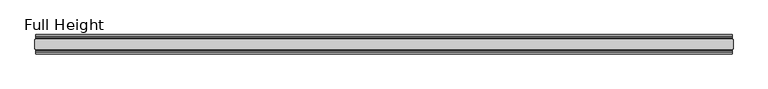
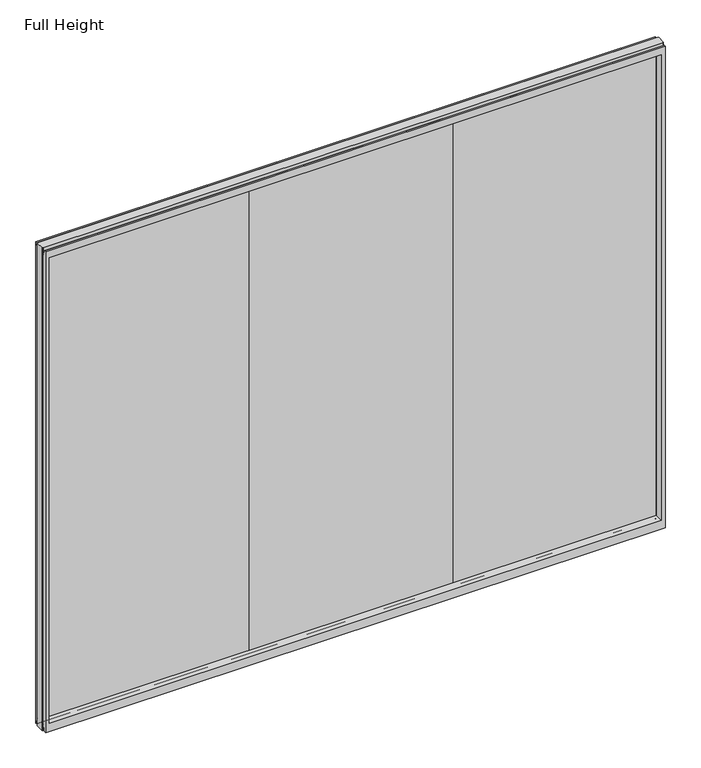
"""IFC4 building model written with IfcOpenShell, lengths in millimetres: plate geometry, Full Height."""

import ifcopenshell
import ifcopenshell.guid

model = None  # the IFC model being written
_history = None  # IfcOwnerHistory: only IFC2X3 demands one
_inside = {}  # id of a spatial element -> (the spatial element, [elements in it])
_under = {}  # id of a project, library or spatial element -> (it, [spatial elements below it])
_declared = {}  # id of a project -> (the project, [libraries it declares])
_typed = {}  # id of a type object -> (the type object, [elements of that type])
_made_of = {}  # id of a material, layer set ... -> (it, [elements and type objects made of it])


def new_model(schema):
    """Start an empty IFC model of exactly this schema.

    Asked for "IFC4X3", IfcOpenShell would pick the latest addendum, in which some entities
    have other attributes; the version numbers below select the first issue.
    IFC2X3 requires an IfcOwnerHistory on every rooted entity: one is made here for all.
    """
    global model, _history
    if schema == "IFC4X3":
        model = ifcopenshell.file(schema_version=(4, 3, 0, 0))
    else:
        model = ifcopenshell.file(schema=schema)
    _inside.clear()
    _under.clear()
    _declared.clear()
    _typed.clear()
    _made_of.clear()
    _history = None
    if model.schema == "IFC2X3":
        org = make("IfcOrganization", Name="unknown")
        user = make(
            "IfcPersonAndOrganization",
            ThePerson=make("IfcPerson", FamilyName="unknown"),
            TheOrganization=org,
        )
        app = make(
            "IfcApplication",
            ApplicationDeveloper=org,
            Version="unknown",
            ApplicationFullName="unknown",
            ApplicationIdentifier="unknown",
        )
        _history = make(
            "IfcOwnerHistory",
            OwningUser=user,
            OwningApplication=app,
            ChangeAction="ADDED",
            CreationDate=0,
        )
    return model


def make(cls, **values):
    """One entity of the class cls with the attributes given. An attribute that is None is left unset."""
    return model.create_entity(
        cls, **{name: value for name, value in values.items() if value is not None}
    )


def rooted(cls, **values):
    """An entity with a GlobalId (a new one), such as an element, a storey or a relation."""
    return make(cls, GlobalId=ifcopenshell.guid.new(), OwnerHistory=_history, **values)


def si_unit(unit_type, name, prefix=None):
    """IfcSIUnit, for example si_unit("LENGTHUNIT", "METRE", prefix="MILLI")."""
    return make("IfcSIUnit", UnitType=unit_type, Prefix=prefix, Name=name)


def assignment(units):
    """IfcUnitAssignment: the units of a project."""
    return None if units is None else make("IfcUnitAssignment", Units=units)


def point(xyz):
    """IfcCartesianPoint."""
    return None if xyz is None else make("IfcCartesianPoint", Coordinates=xyz)


def direction(xyz):
    """IfcDirection."""
    return None if xyz is None else make("IfcDirection", DirectionRatios=xyz)


def frame(location, z_axis=None, x_axis=None):
    """IfcAxis2Placement3D, a coordinate frame: its origin and axes. An axis left out is left unset."""
    return make(
        "IfcAxis2Placement3D",
        Location=point(location),
        Axis=direction(z_axis),
        RefDirection=direction(x_axis),
    )


def origin():
    """The frame at (0, 0, 0) with its axes left unset."""
    return frame((0.0, 0.0, 0.0))


def place(relative_to, where):
    """IfcLocalPlacement: puts the frame where relative to a parent placement (None: the world)."""
    return make(
        "IfcLocalPlacement", PlacementRelTo=relative_to, RelativePlacement=where
    )


def context(
    kind, dimensions, precision=None, world=None, true_north=None, identifier=None
):
    """IfcGeometricRepresentationContext, for example the 3D "Model" context."""
    return make(
        "IfcGeometricRepresentationContext",
        ContextIdentifier=identifier,
        ContextType=kind,
        CoordinateSpaceDimension=dimensions,
        Precision=precision,
        WorldCoordinateSystem=world,
        TrueNorth=true_north,
    )


def project(units=None, contexts=None):
    """IfcProject with its units and contexts."""
    return rooted(
        "IfcProject",
        Name="project",
        RepresentationContexts=contexts,
        UnitsInContext=assignment(units),
    )


def spatial(cls, under=None, at=None, **own):
    """A site, building, storey or space (cls), placed at a placement, below another one or the project."""
    s = rooted(cls, ObjectPlacement=at, **own)
    if under is not None:
        _under.setdefault(under.id(), (under, []))[1].append(s)
    return s


def polyline(points):
    """IfcPolyline through the points."""
    return make("IfcPolyline", Points=[point(p) for p in points])


def circle_curve(where, radius):
    """IfcCircle in the frame where."""
    return make("IfcCircle", Position=where, Radius=radius)


def outline(outer, holes=None, kind="AREA"):
    """IfcArbitraryClosedProfileDef: a profile drawn as a closed curve; with holes, ...WithVoids."""
    if holes is None:
        return make("IfcArbitraryClosedProfileDef", ProfileType=kind, OuterCurve=outer)
    return make(
        "IfcArbitraryProfileDefWithVoids",
        ProfileType=kind,
        OuterCurve=outer,
        InnerCurves=holes,
    )


def extrude(swept, where, along, depth):
    """IfcExtrudedAreaSolid: the profile swept, set in the frame where, extruded along a direction by depth."""
    return make(
        "IfcExtrudedAreaSolid",
        SweptArea=swept,
        Position=where,
        ExtrudedDirection=direction(along),
        Depth=depth,
    )


def shape(context_of_items, identifier, shape_type, items):
    """IfcShapeRepresentation: the items that make up one representation, for example the "Body"."""
    return make(
        "IfcShapeRepresentation",
        ContextOfItems=context_of_items,
        RepresentationIdentifier=identifier,
        RepresentationType=shape_type,
        Items=items,
    )


def source(mapping_origin, context_of_items, identifier, shape_type, items):
    """IfcRepresentationMap: a shape defined once, which mapped items show again and again."""
    return make(
        "IfcRepresentationMap",
        MappingOrigin=mapping_origin,
        MappedRepresentation=shape(context_of_items, identifier, shape_type, items),
    )


def transform(
    local_origin,
    x_axis=None,
    y_axis=None,
    z_axis=None,
    scale=None,
    scale2=None,
    scale3=None,
    uniform=True,
):
    """IfcCartesianTransformationOperator3D, or its non-uniform kind. x_axis, y_axis, z_axis: its Axis1, 2, 3."""
    if uniform:
        return make(
            "IfcCartesianTransformationOperator3D",
            Axis1=direction(x_axis),
            Axis2=direction(y_axis),
            LocalOrigin=point(local_origin),
            Scale=scale,
            Axis3=direction(z_axis),
        )
    return make(
        "IfcCartesianTransformationOperator3DnonUniform",
        Axis1=direction(x_axis),
        Axis2=direction(y_axis),
        LocalOrigin=point(local_origin),
        Scale=scale,
        Axis3=direction(z_axis),
        Scale2=scale2,
        Scale3=scale3,
    )


def mapped(mapping_source, mapping_target):
    """IfcMappedItem: shows the shape of a source again, moved by a transform."""
    return make(
        "IfcMappedItem", MappingSource=mapping_source, MappingTarget=mapping_target
    )


def made_of(thing, what):
    """Note that an element or type object is made of a material, layer set ...; save() writes the relation."""
    if what is not None:
        _made_of.setdefault(what.id(), (what, []))[1].append(thing)
    return thing


def element(
    cls,
    number,
    at=None,
    inside=None,
    cuts=None,
    type_object=None,
    material=None,
    context=None,
    identifier="Body",
    shape_type=None,
    held_by="IfcProductDefinitionShape",
    body=None,
    shapes=None,
    **own,
):
    """One element of the class cls, such as IfcWall. Its Tag is "e" and its number.

    at: its placement. inside: the storey or other place that contains it. cuts: it is an
    opening in that element (IfcRelVoidsElement). A single representation is given by context,
    identifier, shape_type and body (its items); several are given by shapes. held_by: the class
    of the entity that holds the representations. save() writes the other relations.
    """
    e = rooted(cls, Tag="e%d" % number, ObjectPlacement=at, **own)
    if body is not None:
        shapes = [shape(context, identifier, shape_type, body)]
    if shapes is not None:
        e.Representation = make(held_by, Representations=shapes)
    if inside is not None:
        _inside.setdefault(inside.id(), (inside, []))[1].append(e)
    if cuts is not None:
        rooted(
            "IfcRelVoidsElement", RelatingBuildingElement=cuts, RelatedOpeningElement=e
        )
    if type_object is not None:
        _typed.setdefault(type_object.id(), (type_object, []))[1].append(e)
    return made_of(e, material)


def aggregate(whole, parts):
    """IfcRelAggregates: a whole, such as a stair, and the parts it consists of."""
    return rooted("IfcRelAggregates", RelatingObject=whole, RelatedObjects=parts)


def save(model, path):
    """Write the relations noted so far, then the file.

    IfcRelAggregates (storeys below a building ...), IfcRelContainedInSpatialStructure (elements
    in a storey), IfcRelDefinesByType, IfcRelAssociatesMaterial and IfcRelDeclares: one each for
    every whole, place, type object, material and project.
    """
    for whole, parts in _under.values():
        aggregate(whole, parts)
    for where, things in _inside.values():
        rooted(
            "IfcRelContainedInSpatialStructure",
            RelatedElements=things,
            RelatingStructure=where,
        )
    for kind, things in _typed.values():
        rooted("IfcRelDefinesByType", RelatedObjects=things, RelatingType=kind)
    for what, things in _made_of.values():
        rooted("IfcRelAssociatesMaterial", RelatedObjects=things, RelatingMaterial=what)
    for by, libraries in _declared.values():
        rooted("IfcRelDeclares", RelatingContext=by, RelatedDefinitions=libraries)
    model.write(path)


def plane_surface(at):
    """IfcPlane: the flat surface through the origin of the frame at, square to its z axis."""
    return make("IfcPlane", Position=at)


def cylinder_surface(at, radius):
    """IfcCylindricalSurface: all points at the distance radius from the z axis of the frame at."""
    return make("IfcCylindricalSurface", Position=at, Radius=radius)


def revolved_surface(curve, axis_point, axis_direction):
    """IfcSurfaceOfRevolution: the curve turned about the line through axis_point along axis_direction."""
    return make(
        "IfcSurfaceOfRevolution",
        SweptCurve=make("IfcArbitraryOpenProfileDef", ProfileType="CURVE", Curve=curve),
        AxisPosition=make("IfcAxis1Placement", Location=point(axis_point), Axis=direction(axis_direction)),
    )


def advanced_brep(points, edges, surfaces, faces):
    """IfcAdvancedBrep: a solid bounded by faces that lie on surfaces and meet in shared edges.

    An edge is (start, end): straight between two places in points (the first is 0);
    or (start, end, curve); or (start, end, curve, False) where it runs against its curve.
    A face is (place in surfaces, loops), or (place, loops, False) where it looks against
    its surface's normal. A loop lists edges by number (the first is 1), with a minus sign
    where the edge is run from its end to its start. The first loop is the outer one.
    """
    corners = [point(p) for p in points]
    vertices = [make("IfcVertexPoint", VertexGeometry=c) for c in corners]
    made = []
    for start, end, *more in edges:
        made.append(
            make(
                "IfcEdgeCurve",
                EdgeStart=vertices[start],
                EdgeEnd=vertices[end],
                EdgeGeometry=more[0] if more else make("IfcPolyline", Points=[corners[start], corners[end]]),
                SameSense=more[1] if len(more) > 1 else True,
            )
        )
    hull = []
    for where, loops, *sense in faces:
        bounds = []
        for j, loop in enumerate(loops):
            ring = [make("IfcOrientedEdge", EdgeElement=made[abs(k) - 1], Orientation=k > 0) for k in loop]
            bounds.append(
                make(
                    "IfcFaceOuterBound" if j == 0 else "IfcFaceBound",
                    Bound=make("IfcEdgeLoop", EdgeList=ring),
                    Orientation=True,
                )
            )
        hull.append(make("IfcAdvancedFace", Bounds=bounds, FaceSurface=surfaces[where], SameSense=sense[0] if sense else True))
    return make("IfcAdvancedBrep", Outer=make("IfcClosedShell", CfsFaces=hull))


def full_height_1e787236(model_context):
    return source(origin(), model_context, "Body", "SolidModel", [
        extrude(outline(polyline([(596.3390849, 6.35), (596.3390849, -6.35), (-596.3390849, -6.35), (-596.3390849, 6.35), (596.3390849, 6.35)])), frame((0.0, 0.0, 58.801), z_axis=(0.0, 0.0, 1.0), x_axis=(1.0, 0.0, 0.0)), (0.0, 0.0, 1.0), 2874.645),
        extrude(outline(polyline([(-596.3390849, 6.35), (-596.3390849, -6.35), (-1789.0172547, -6.35), (-1789.0172547, 6.35), (-596.3390849, 6.35)])), frame((0.0, 0.0, 58.801), z_axis=(0.0, 0.0, 1.0), x_axis=(1.0, 0.0, 0.0)), (0.0, 0.0, 1.0), 2874.645),
        extrude(outline(polyline([(596.3390849, 6.35), (1789.0172547, 6.35), (1789.0172547, -6.35), (596.3390849, -6.35), (596.3390849, 6.35)])), frame((0.0, 0.0, 58.801), z_axis=(0.0, 0.0, 1.0), x_axis=(1.0, 0.0, 0.0)), (0.0, 0.0, 1.0), 2874.645),
        advanced_brep(
        [(1821.6562547, 25.146, 2993.136), (1817.0842547, 25.146, 2993.136), (1817.0842547, 26.67, 2993.136), (-1817.0842547, 26.67, 2993.136), (-1817.0842547, 25.146, 2993.136), (-1821.6562547, 25.146, 2993.136), (-1821.6562547, -25.146, 2993.136), (-1817.0842547, -25.146, 2993.136), (-1817.0842547, -26.67, 2993.136), (1817.0842547, -26.67, 2993.136), (1817.0842547, -25.146, 2993.136), (1821.6562547, -25.146, 2993.136), (1821.6562547, 25.146, 0.0), (1821.6562547, -25.146, 0.0), (1817.0842547, -25.146, 0.0), (1817.0842547, -26.67, 0.0), (-1817.0842547, -26.67, 0.0), (-1817.0842547, -25.146, 0.0), (-1821.6562547, -25.146, 0.0), (-1821.6562547, 25.146, 0.0), (-1817.0842547, 25.146, 0.0), (-1817.0842547, 26.67, 0.0), (1817.0842547, 26.67, 0.0), (1817.0842547, 25.146, 0.0), (-1817.0842547, 40.7946686, 0.0), (-1817.0842547, 50.0, 0.0), (1817.0842547, 50.0, 0.0), (1817.0842547, 40.7946686, 0.0), (-1817.0842547, 26.67, 36.4542208), (1817.0842547, 26.67, 36.4542208), (-1817.0842547, -26.67, 36.4542208), (-1817.0842547, -34.2686707, 36.8568054), (-1817.0842547, -36.9464913, 11.6561909), (-1817.0842547, -39.043018, 8.6755976), (-1817.0842547, -39.5246686, 7.9074686), (-1817.0842547, -39.5246686, 1.27), (-1817.0842547, -40.7946686, 0.0), (-1817.0842547, -50.0, 0.0), (-1817.0842547, -50.0, 2983.992), (-1817.0842547, -39.9371387, 2983.992), (-1817.0842547, -39.1867152, 2983.3623199), (-1817.0842547, -34.2321175, 2955.2634004), (-1817.0842547, -26.67, 2955.925), (-1817.0842547, 39.5246686, 1.27), (-1817.0842547, 39.5246686, 7.9074686), (-1817.0842547, 39.043018, 8.6755976), (-1817.0842547, 36.9464913, 11.6561909), (-1817.0842547, 34.2686707, 36.8568054), (-1817.0842547, 26.67, 2955.925), (-1817.0842547, 34.2321175, 2955.2634004), (-1817.0842547, 39.1867152, 2983.3623199), (-1817.0842547, 39.9371387, 2983.992), (-1817.0842547, 50.0, 2983.992), (1817.0842547, -50.0, 0.0), (1817.0842547, -50.0, 2983.992), (-1794.9862547, -50.0, 2939.415), (1794.9862547, -50.0, 2939.415), (1794.9862547, -50.0, 52.8372208), (-1794.9862547, -50.0, 52.8372208), (1817.0842547, 50.0, 2983.992), (-1794.9862547, 50.0, 52.8372208), (1794.9862547, 50.0, 52.8372208), (1794.9862547, 50.0, 2939.415), (-1794.9862547, 50.0, 2939.415), (-1789.0172547, -6.1006519, 58.8062208), (-1789.0172547, -6.1006519, 2933.446), (-1789.0172547, 6.1006519, 2933.446), (-1789.0172547, 6.1006519, 58.8062208), (1789.0172547, 6.1006519, 58.8062208), (1789.0172547, 6.1006519, 2933.446), (1789.0172547, -6.1006519, 2933.446), (1789.0172547, -6.1006519, 58.8062208), (1817.0842547, -40.7946686, 0.0), (1817.0842547, -39.5246686, 1.27), (1817.0842547, -39.5246686, 7.9074686), (1817.0842547, -39.043018, 8.6755976), (1817.0842547, -36.9464913, 11.6561909), (1817.0842547, -34.2686707, 36.8568054), (1817.0842547, -26.67, 36.4542208), (1817.0842547, -26.67, 2955.925), (1817.0842547, -34.2321175, 2955.2634004), (1817.0842547, -39.1867152, 2983.3623199), (1817.0842547, -39.9371387, 2983.992), (1817.0842547, 39.9371387, 2983.992), (1817.0842547, 39.1867152, 2983.3623199), (1817.0842547, 34.2321175, 2955.2634004), (1817.0842547, 26.67, 2955.925), (1817.0842547, 34.2686707, 36.8568054), (1817.0842547, 36.9464913, 11.6561909), (1817.0842547, 39.043018, 8.6755976), (1817.0842547, 39.5246686, 7.9074686), (1817.0842547, 39.5246686, 1.27)],
        [
            (0, 1),
            (1, 2),
            (2, 3),
            (3, 4),
            (4, 5),
            (5, 6),
            (6, 7),
            (7, 8),
            (8, 9),
            (9, 10),
            (10, 11),
            (11, 0),
            (12, 13),
            (13, 14),
            (14, 15),
            (15, 16),
            (16, 17),
            (17, 18),
            (18, 19),
            (19, 20),
            (20, 21),
            (21, 22),
            (22, 23),
            (23, 12),
            (23, 1),
            (0, 12),
            (10, 14),
            (13, 11),
            (5, 19),
            (18, 6),
            (17, 7),
            (4, 20),
            (24, 25),
            (25, 26),
            (26, 27),
            (27, 24),
            (21, 28),
            (28, 29),
            (29, 22),
            (16, 30),
            (30, 31, circle_curve(frame((-1817.0842547, -30.48, 36.4542208), z_axis=(1.0, 0.0, 0.0), x_axis=(0.0, -1.0, 0.0)), 3.81)),
            (31, 32),
            (32, 33, circle_curve(frame((-1817.0842547, -40.6770502, 12.0526006), z_axis=(-1.0, 0.0, 0.0), x_axis=(0.0, -1.0, 0.0)), 3.751561)),
            (33, 34, circle_curve(frame((-1817.0842547, -38.671343, 7.9074686), z_axis=(1.0, 0.0, 0.0), x_axis=(0.0, -1.0, 0.0)), 0.8533256)),
            (34, 35),
            (35, 36, circle_curve(frame((-1817.0842547, -40.7946686, 1.27), z_axis=(-1.0, 0.0, 0.0), x_axis=(0.0, -1.0, 0.0)), 1.27)),
            (36, 37),
            (37, 38),
            (38, 39),
            (39, 40, circle_curve(frame((-1817.0842547, -39.9371387, 2983.23), z_axis=(-1.0, 0.0, 0.0), x_axis=(0.0, -1.0, 0.0)), 0.762)),
            (40, 41),
            (41, 42, circle_curve(frame((-1817.0842547, -30.48, 2955.925), z_axis=(1.0, 0.0, 0.0), x_axis=(0.0, -1.0, 0.0)), 3.81)),
            (42, 8),
            (24, 43, circle_curve(frame((-1817.0842547, 40.7946686, 1.27), z_axis=(-1.0, 0.0, 0.0), x_axis=(0.0, -1.0, 0.0)), 1.27)),
            (43, 44),
            (44, 45, circle_curve(frame((-1817.0842547, 38.671343, 7.9074686), z_axis=(1.0, 0.0, 0.0), x_axis=(0.0, -1.0, 0.0)), 0.8533256)),
            (45, 46, circle_curve(frame((-1817.0842547, 40.6770502, 12.0526006), z_axis=(-1.0, 0.0, 0.0), x_axis=(0.0, -1.0, 0.0)), 3.751561)),
            (46, 47),
            (47, 28, circle_curve(frame((-1817.0842547, 30.48, 36.4542208), z_axis=(1.0, 0.0, 0.0), x_axis=(0.0, -1.0, 0.0)), 3.81)),
            (3, 48),
            (48, 49, circle_curve(frame((-1817.0842547, 30.48, 2955.925), z_axis=(1.0, 0.0, 0.0), x_axis=(0.0, -1.0, 0.0)), 3.81)),
            (49, 50),
            (50, 51, circle_curve(frame((-1817.0842547, 39.9371387, 2983.23), z_axis=(-1.0, 0.0, 0.0), x_axis=(0.0, -1.0, 0.0)), 0.762)),
            (51, 52),
            (52, 25),
            (37, 53),
            (53, 54),
            (54, 38),
            (55, 56),
            (56, 57),
            (57, 58),
            (58, 55),
            (52, 59),
            (59, 26),
            (60, 61),
            (61, 62),
            (62, 63),
            (63, 60),
            (58, 64),
            (64, 65),
            (65, 55),
            (63, 66),
            (66, 67),
            (67, 60),
            (61, 68),
            (68, 69),
            (69, 62),
            (70, 71),
            (71, 57),
            (56, 70),
            (53, 72),
            (72, 73, circle_curve(frame((1817.0842547, -40.7946686, 1.27), z_axis=(1.0, 0.0, 0.0), x_axis=(0.0, -1.0, 0.0)), 1.27)),
            (73, 74),
            (74, 75, circle_curve(frame((1817.0842547, -38.671343, 7.9074686), z_axis=(-1.0, 0.0, 0.0), x_axis=(0.0, -1.0, 0.0)), 0.8533256)),
            (75, 76, circle_curve(frame((1817.0842547, -40.6770502, 12.0526006), z_axis=(1.0, 0.0, 0.0), x_axis=(0.0, -1.0, 0.0)), 3.751561)),
            (76, 77),
            (77, 78, circle_curve(frame((1817.0842547, -30.48, 36.4542208), z_axis=(-1.0, 0.0, 0.0), x_axis=(0.0, -1.0, 0.0)), 3.81)),
            (78, 15),
            (9, 79),
            (79, 80, circle_curve(frame((1817.0842547, -30.48, 2955.925), z_axis=(-1.0, 0.0, 0.0), x_axis=(0.0, -1.0, 0.0)), 3.81)),
            (80, 81),
            (81, 82, circle_curve(frame((1817.0842547, -39.9371387, 2983.23), z_axis=(1.0, 0.0, 0.0), x_axis=(0.0, -1.0, 0.0)), 0.762)),
            (82, 54),
            (59, 83),
            (83, 84, circle_curve(frame((1817.0842547, 39.9371387, 2983.23), z_axis=(1.0, 0.0, 0.0), x_axis=(0.0, -1.0, 0.0)), 0.762)),
            (84, 85),
            (85, 86, circle_curve(frame((1817.0842547, 30.48, 2955.925), z_axis=(-1.0, 0.0, 0.0), x_axis=(0.0, -1.0, 0.0)), 3.81)),
            (86, 2),
            (29, 87, circle_curve(frame((1817.0842547, 30.48, 36.4542208), z_axis=(-1.0, 0.0, 0.0), x_axis=(0.0, -1.0, 0.0)), 3.81)),
            (87, 88),
            (88, 89, circle_curve(frame((1817.0842547, 40.6770502, 12.0526006), z_axis=(1.0, 0.0, 0.0), x_axis=(0.0, -1.0, 0.0)), 3.751561)),
            (89, 90, circle_curve(frame((1817.0842547, 38.671343, 7.9074686), z_axis=(-1.0, 0.0, 0.0), x_axis=(0.0, -1.0, 0.0)), 0.8533256)),
            (90, 91),
            (91, 27, circle_curve(frame((1817.0842547, 40.7946686, 1.27), z_axis=(1.0, 0.0, 0.0), x_axis=(0.0, -1.0, 0.0)), 1.27)),
            (91, 43),
            (90, 44),
            (89, 45),
            (88, 46),
            (87, 47),
            (78, 30),
            (31, 77),
            (76, 32),
            (75, 33),
            (74, 34),
            (73, 35),
            (72, 36),
            (71, 64),
            (67, 68),
            (86, 48),
            (85, 49),
            (84, 50),
            (83, 51),
            (69, 66),
            (65, 70),
            (82, 39),
            (81, 40),
            (80, 41),
            (79, 42),
            (65, 66),
            (69, 70),
            (71, 68),
            (67, 64),
        ],
        [
            plane_surface(frame((1817.0842547, 25.146, 2993.136), z_axis=(0.0, 0.0, 1.0), x_axis=(-1.0, 0.0, 0.0))),
            plane_surface(frame((1817.0842547, 25.146, 0.0), z_axis=(0.0, 0.0, -1.0), x_axis=(1.0, 0.0, 0.0))),
            plane_surface(frame((1821.6562547, 25.146, 2993.136), z_axis=(0.0, 1.0, 0.0), x_axis=(0.0, 0.0, -1.0))),
            plane_surface(frame((1817.0842547, -25.146, 2993.136), z_axis=(0.0, -1.0, 0.0), x_axis=(0.0, 0.0, -1.0))),
            plane_surface(frame((1821.6562547, -25.146, 2993.136), z_axis=(1.0, 0.0, 0.0), x_axis=(0.0, 0.0, -1.0))),
            plane_surface(frame((-1821.6562547, 25.146, 2993.136), z_axis=(-1.0, 0.0, 0.0), x_axis=(0.0, 0.0, -1.0))),
            plane_surface(frame((-1821.6562547, -25.146, 2993.136), z_axis=(0.0, -1.0, 0.0), x_axis=(0.0, 0.0, -1.0))),
            plane_surface(frame((-1817.0842547, 25.146, 2993.136), z_axis=(0.0, 1.0, 0.0), x_axis=(0.0, 0.0, -1.0))),
            plane_surface(frame((-1817.0842547, 50.0, 0.0), z_axis=(0.0, 0.0, -1.0), x_axis=(1.0, 0.0, 0.0))),
            plane_surface(frame((-1817.0842547, 26.67, 36.4542208), z_axis=(0.0, 1.0, 0.0), x_axis=(1.0, 0.0, 0.0))),
            plane_surface(frame((-1817.0842547, 50.0, 2951.2006), z_axis=(-1.0, 0.0, 0.0), x_axis=(0.0, 0.0, -1.0))),
            plane_surface(frame((-1817.0842547, -50.0, 2951.2006), z_axis=(0.0, -1.0, 0.0), x_axis=(0.0, 0.0, -1.0))),
            plane_surface(frame((-1794.9862547, 50.0, 2951.2006), z_axis=(0.0, 1.0, 0.0), x_axis=(0.0, 0.0, -1.0))),
            plane_surface(frame((-1794.9862547, -50.0, 2951.2006), z_axis=(0.9908822943533606, -0.13473039277393942, 0.0), x_axis=(0.0, 0.0, -1.0))),
            plane_surface(frame((-1789.0172547, 6.1006519, 2951.2006), z_axis=(0.9908822943533612, 0.13473039277393595, 0.0), x_axis=(0.0, 0.0, -1.0))),
            plane_surface(frame((1794.9862547, 50.0, 2951.2006), z_axis=(-0.9908822943533577, 0.13473039277396132, 0.0), x_axis=(0.0, 0.0, -1.0))),
            plane_surface(frame((1789.0172547, -6.1006519, 2951.2006), z_axis=(-0.9908822943533535, -0.13473039277399257, 0.0), x_axis=(0.0, 0.0, -1.0))),
            plane_surface(frame((1817.0842547, -50.0, 2951.2006), z_axis=(1.0, 0.0, 0.0), x_axis=(0.0, 0.0, -1.0))),
            cylinder_surface(frame((1817.0842547, 40.7946686, 1.27), z_axis=(-1.0, 0.0, 0.0), x_axis=(0.0, -1.0, 0.0)), 1.27),
            plane_surface(frame((-1817.0842547, 39.5246686, 1.27), z_axis=(0.0, -1.0, 0.0), x_axis=(1.0, 0.0, 0.0))),
            revolved_surface(polyline([(1817.0842547, 37.8180174, 7.9074686), (-1817.0842547, 37.8180174, 7.9074686)]), (1817.0842547, 38.671343, 7.9074686), (1.0, 0.0, 0.0)),
            cylinder_surface(frame((1817.0842547, 40.6770502, 12.0526006), z_axis=(-1.0, 0.0, 0.0), x_axis=(0.0, -1.0, 0.0)), 3.751561),
            plane_surface(frame((-1817.0842547, 36.9464913, 11.6561909), z_axis=(0.0, -0.9944017560866671, -0.10566526151840369), x_axis=(1.0, 0.0, 0.0))),
            plane_surface(frame((-1817.0842547, -26.67, 0.0), z_axis=(0.0, -1.0, 0.0), x_axis=(1.0, 0.0, 0.0))),
            plane_surface(frame((-1817.0842547, -34.2686707, 36.8568054), z_axis=(0.0, 0.9944017560866221, -0.10566526151882767), x_axis=(1.0, 0.0, 0.0))),
            cylinder_surface(frame((1817.0842547, -40.6770502, 12.0526006), z_axis=(-1.0, 0.0, 0.0), x_axis=(0.0, -1.0, 0.0)), 3.751561),
            revolved_surface(polyline([(1817.0842547, -39.5246686, 7.9074686), (-1817.0842547, -39.5246686, 7.9074686)]), (1817.0842547, -38.671343, 7.9074686), (1.0, 0.0, 0.0)),
            plane_surface(frame((-1817.0842547, -39.5246686, 7.9074686), z_axis=(0.0, 1.0, 0.0), x_axis=(1.0, 0.0, 0.0))),
            cylinder_surface(frame((1817.0842547, -40.7946686, 1.27), z_axis=(-1.0, 0.0, 0.0), x_axis=(0.0, -1.0, 0.0)), 1.27),
            plane_surface(frame((-1817.0842547, -40.7946686, 0.0), z_axis=(0.0, 0.0, -1.0), x_axis=(1.0, 0.0, 0.0))),
            plane_surface(frame((-1817.0842547, -50.0, 52.8372208), z_axis=(0.0, -0.13473039277394738, 0.9908822943533596), x_axis=(1.0, 0.0, 0.0))),
            plane_surface(frame((-1817.0842547, 6.1006519, 58.8062208), z_axis=(0.0, 0.13473039277399934, 0.9908822943533526), x_axis=(1.0, 0.0, 0.0))),
            revolved_surface(polyline([(1817.0842547, 26.67, 36.4542208), (-1817.0842547, 26.67, 36.4542208)]), (1817.0842547, 30.48, 36.4542208), (1.0, 0.0, 0.0)),
            revolved_surface(polyline([(1817.0842547, -34.29, 36.4542208), (-1817.0842547, -34.29, 36.4542208)]), (1817.0842547, -30.48, 36.4542208), (1.0, 0.0, 0.0)),
            plane_surface(frame((-1817.0842547, 26.67, 2993.136), z_axis=(0.0, 1.0, 0.0), x_axis=(1.0, 0.0, 0.0))),
            revolved_surface(polyline([(1817.0842547, 26.67, 2955.925), (-1817.0842547, 26.67, 2955.925)]), (-1821.6562547, 30.48, 2955.925), (1.0, 0.0, 0.0)),
            plane_surface(frame((-1817.0842547, 34.2321175, 2955.2634004), z_axis=(0.0, -0.9848077530113117, 0.17364817767201388), x_axis=(1.0, 0.0, 0.0))),
            cylinder_surface(frame((-1821.6562547, 39.9371387, 2983.23), z_axis=(-1.0, 0.0, 0.0), x_axis=(0.0, -1.0, 0.0)), 0.762),
            plane_surface(frame((-1817.0842547, 39.9371387, 2983.992), z_axis=(0.0, 0.0, 1.0), x_axis=(1.0, 0.0, 0.0))),
            plane_surface(frame((-1817.0842547, 50.0, 2939.415), z_axis=(0.0, 0.13473039277345047, -0.9908822943534271), x_axis=(1.0, 0.0, 0.0))),
            plane_surface(frame((-1817.0842547, -6.1006519, 2933.446), z_axis=(0.0, -0.13473039277247867, -0.9908822943535593), x_axis=(1.0, 0.0, 0.0))),
            plane_surface(frame((-1817.0842547, -50.0, 2983.992), z_axis=(0.0, 0.0, 1.0), x_axis=(1.0, 0.0, 0.0))),
            cylinder_surface(frame((-1821.6562547, -39.9371387, 2983.23), z_axis=(-1.0, 0.0, 0.0), x_axis=(0.0, -1.0, 0.0)), 0.762),
            plane_surface(frame((-1817.0842547, -39.1867152, 2983.3623199), z_axis=(0.0, 0.9848077530103959, 0.17364817767720786), x_axis=(1.0, 0.0, 0.0))),
            revolved_surface(polyline([(1817.0842547, -34.29, 2955.925), (-1817.0842547, -34.29, 2955.925)]), (-1821.6562547, -30.48, 2955.925), (1.0, 0.0, 0.0)),
            plane_surface(frame((-1817.0842547, -26.67, 2955.925), z_axis=(0.0, -1.0, 0.0), x_axis=(1.0, 0.0, 0.0))),
            plane_surface(frame((-1817.0842547, 6.1006519, 2933.446), z_axis=(0.0, 0.0, -1.0), x_axis=(1.0, 0.0, 0.0))),
            plane_surface(frame((-1817.0842547, -6.1006519, 58.8062208), z_axis=(0.0, 0.0, 1.0), x_axis=(1.0, 0.0, 0.0))),
            plane_surface(frame((-1789.0172547, -6.1006519, 2951.2006), z_axis=(1.0, 0.0, 0.0), x_axis=(0.0, 0.0, -1.0))),
            plane_surface(frame((1789.0172547, 6.1006519, 2951.2006), z_axis=(-1.0, 0.0, 0.0), x_axis=(0.0, 0.0, -1.0))),
        ],
        [
            (0, [[1, 2, 3, 4, 5, 6, 7, 8, 9, 10, 11, 12]]),
            (1, [[13, 14, 15, 16, 17, 18, 19, 20, 21, 22, 23, 24]]),
            (2, [[25, -1, 26, -24]]),
            (3, [[-11, 27, -14, 28]]),
            (4, [[-12, -28, -13, -26]]),
            (5, [[-6, 29, -19, 30]]),
            (6, [[31, -7, -30, -18]]),
            (7, [[-5, 32, -20, -29]]),
            (8, [[33, 34, 35, 36]]),
            (9, [[37, 38, 39, -22]]),
            (10, [[-17, 40, 41, 42, 43, 44, 45, 46, 47, 48, 49, 50, 51, 52, 53, -8, -31]]),
            (10, [[-33, 54, 55, 56, 57, 58, 59, -37, -21, -32, -4, 60, 61, 62, 63, 64, 65]]),
            (11, [[-48, 66, 67, 68], [69, 70, 71, 72]]),
            (12, [[-65, 73, 74, -34], [75, 76, 77, 78]]),
            (13, [[-72, 79, 80, 81]]),
            (14, [[-78, 82, 83, 84]]),
            (15, [[-76, 85, 86, 87]]),
            (16, [[88, 89, -70, 90]]),
            (17, [[-67, 91, 92, 93, 94, 95, 96, 97, 98, -15, -27, -10, 99, 100, 101, 102, 103]]),
            (17, [[-74, 104, 105, 106, 107, 108, -2, -25, -23, -39, 109, 110, 111, 112, 113, 114, -35]]),
            (18, [[-54, -36, -114, 115]]),
            (19, [[-55, -115, -113, 116]]),
            (20, [[-56, -116, -112, 117]]),
            (21, [[-57, -117, -111, 118]]),
            (22, [[-58, -118, -110, 119]]),
            (23, [[-40, -16, -98, 120]]),
            (24, [[-42, 121, -96, 122]]),
            (25, [[-43, -122, -95, 123]]),
            (26, [[-44, -123, -94, 124]]),
            (27, [[-45, -124, -93, 125]]),
            (28, [[-46, -125, -92, 126]]),
            (29, [[-47, -126, -91, -66]]),
            (30, [[-71, -89, 127, -79]]),
            (31, [[-75, -84, 128, -85]]),
            (32, [[-59, -119, -109, -38]]),
            (33, [[-41, -120, -97, -121]]),
            (34, [[-60, -3, -108, 129]]),
            (35, [[-61, -129, -107, 130]]),
            (36, [[-62, -130, -106, 131]]),
            (37, [[-63, -131, -105, 132]]),
            (38, [[-64, -132, -104, -73]]),
            (39, [[-77, -87, 133, -82]]),
            (40, [[-69, -81, 134, -90]]),
            (41, [[-49, -68, -103, 135]]),
            (42, [[-50, -135, -102, 136]]),
            (43, [[-51, -136, -101, 137]]),
            (44, [[-52, -137, -100, 138]]),
            (45, [[-53, -138, -99, -9]]),
            (46, [[-134, 139, -133, 140]]),
            (47, [[-127, 141, -128, 142]]),
            (48, [[-83, -139, -80, -142]]),
            (49, [[-88, -140, -86, -141]]),
        ],
    ),
        extrude(outline(polyline([(-1789.0172547, 6.35), (1789.0172547, 6.35), (1789.0172547, -6.35), (-1789.0172547, -6.35), (-1789.0172547, 6.35)])), frame((0.0, 0.0, 58.8062208), z_axis=(0.0, 0.0, 1.0), x_axis=(1.0, 0.0, 0.0)), (0.0, 0.0, 1.0), 2874.6397792),
    ])


if __name__ == "__main__":
    model = new_model("IFC4")
    model_context = context("Model", 3, world=origin())
    ifc_project = project(units=[si_unit("LENGTHUNIT", "METRE", prefix="MILLI")], contexts=[model_context])
    site = spatial("IfcSite", under=ifc_project)
    building = spatial("IfcBuilding", under=site)
    placement = place(None, origin())
    full_height_shape = full_height_1e787236(model_context)
    element("IfcPlate", 1, ObjectType="Full Height", at=placement, inside=building, context=model_context, shape_type="MappedRepresentation", body=[
        mapped(full_height_shape, transform((0.0, 0.0, 0.0), x_axis=(1.0, 0.0, 0.0), y_axis=(0.0, 1.0, 0.0), z_axis=(0.0, 0.0, 1.0))),
    ])
    save(model, "model.ifc")
